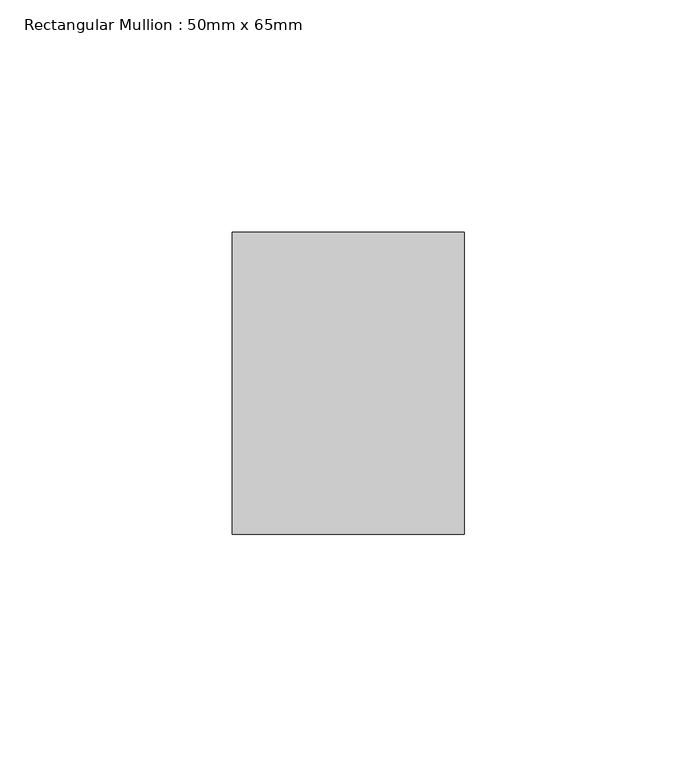
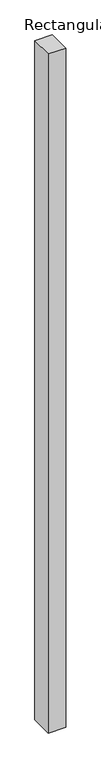
"""IFC4 building model written with IfcOpenShell, lengths in millimetres: member geometry, Rectangular Mullion : 50mm x 65mm."""

from ifc_helpers import new_model, si_unit, frame, origin, place, context, project, spatial, polyline, outline, extrude, source, transform, mapped, element, save


def rectangular_mullion_50mm_x_65mm_961b65e5(model_context):
    return source(origin(), model_context, "Body", "SweptSolid", [
        extrude(outline(polyline([(25.0, 32.5), (25.0, -32.5), (-25.0, -32.5), (-25.0, 32.5), (25.0, 32.5)])), frame((0.0, 0.0, -2042.0390744), z_axis=(0.0, 0.0, 1.0), x_axis=(1.0, 0.0, 0.0)), (0.0, 0.0, 1.0), 2042.0390744),
    ])


if __name__ == "__main__":
    model = new_model("IFC4")
    model_context = context("Model", 3, world=origin())
    ifc_project = project(units=[si_unit("LENGTHUNIT", "METRE", prefix="MILLI")], contexts=[model_context])
    site = spatial("IfcSite", under=ifc_project)
    building = spatial("IfcBuilding", under=site)
    placement = place(None, origin())
    rectangular_mullion_50mm_x_65mm_shape = rectangular_mullion_50mm_x_65mm_961b65e5(model_context)
    element("IfcMember", 1, ObjectType="Rectangular Mullion : 50mm x 65mm", at=placement, inside=building, context=model_context, shape_type="MappedRepresentation", body=[
        mapped(rectangular_mullion_50mm_x_65mm_shape, transform((0.0, 0.0, 0.0), x_axis=(1.0, 0.0, 0.0), y_axis=(0.0, 1.0, 0.0), z_axis=(0.0, 0.0, 1.0))),
    ])
    save(model, "model.ifc")
